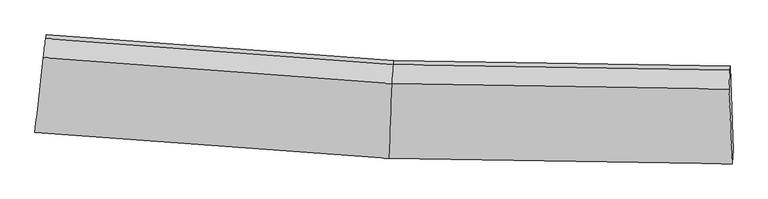
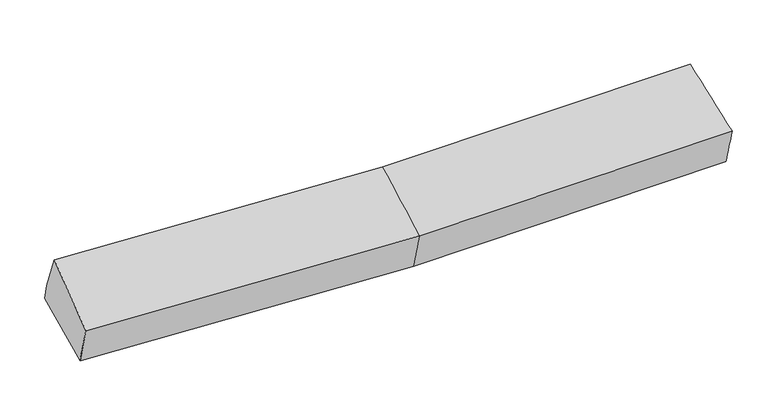
"""IFC4 building model written with IfcOpenShell, lengths in millimetres: proxy geometry."""

from ifc_helpers import new_model, si_unit, frame, origin, place, context, project, spatial, source, transform, mapped, element, save
from ifc_brep_helpers import plane_surface, spline_surface, advanced_brep


def generic_models_e4468c33(model_context):
    return source(origin(), model_context, "Body", "AdvancedBrep", [
        advanced_brep(
        [(-2904.433196, -1896.1344541, 2052.4488329), (-2891.2871548, -1781.8501363, 1687.4023734), (13.9705855, -1997.2611186, 1712.3439062), (3.1152196, -2111.7244261, 2077.4095901), (-2813.2222235, -1094.0558155, 1843.5243881), (41.0860763, -1305.4856916, 1868.0383295), (-2817.0616111, -1127.2695449, 1991.7670048), (37.2466886, -1338.699421, 2016.2809462), (-2834.7103514, -1281.27787, 2334.3887306), (25.0429995, -1493.1332135, 2358.9483694), (2803.128472, -1383.9995433, 2062.3892216), (2796.2013621, -1538.4801378, 2405.1828188), (2820.5898502, -2157.4821649, 2124.7515579), (2829.2254152, -2042.9991683, 1759.6327938), (2806.9678596, -1350.7858139, 1914.1466049)],
        [
            (0, 1),
            (1, 2),
            (2, 3),
            (3, 0),
            (1, 4),
            (4, 5),
            (5, 1),
            (4, 6),
            (6, 7),
            (7, 5),
            (6, 8),
            (8, 9),
            (9, 7),
            (8, 0),
            (3, 9),
            (10, 11),
            (11, 12),
            (12, 13),
            (13, 14),
            (14, 10),
            (5, 2),
            (9, 11),
            (10, 7),
            (3, 12),
            (2, 13),
            (5, 14),
        ],
        [
            spline_surface(1, 1, [[(-2904.433196, -1896.1344541, 2052.4488329), (3.1152196, -2111.7244261, 2077.4095901)], [(-2891.2871548, -1781.8501363, 1687.4023734), (13.9705855, -1997.2611186, 1712.3439062)]], [2, 2], [2, 2], [0.0, 1.0], [0.0, 1.0]),
            plane_surface(frame((-2852.2546891, -1437.9529759, 1765.4633807), z_axis=(0.024573353913702106, 0.2186382758577945, -0.9754965169632145), x_axis=(0.11001290489594444, 0.9692732692409646, 0.22001475016754793))),
            plane_surface(frame((-2815.1419173, -1110.6626802, 1917.6456965), z_axis=(0.0701869340523124, 0.9730120949739082, 0.21982096652235633), x_axis=(-0.025264725418672265, -0.2185597883869286, 0.9754964441502492))),
            spline_surface(1, 1, [[(-2817.0616111, -1127.2695449, 1991.7670048), (37.2466886, -1338.699421, 2016.2809462)], [(-2834.7103514, -1281.27787, 2334.3887306), (25.0429995, -1493.1332135, 2358.9483694)]], [2, 2], [2, 2], [0.0, 1.0], [0.0, 1.0]),
            spline_surface(1, 1, [[(-2834.7103514, -1281.27787, 2334.3887306), (25.0429995, -1493.1332135, 2358.9483694)], [(-2904.433196, -1896.1344541, 2052.4488329), (3.1152196, -2111.7244261, 2077.4095901)]], [2, 2], [2, 2], [0.0, 1.0], [0.0, 1.0]),
            plane_surface(frame((2811.2225918, -1694.7493656, 2053.2205994), z_axis=(0.9991885911101221, 0.02509648939063799, 0.03150120022530807), x_axis=(-0.018420318533162835, -0.4107891771679691, 0.9115442632076622))),
            plane_surface(frame((-2852.1429074, -1436.1175642, 1981.906266), z_axis=(-0.993609004793071, 0.11287580978766834, -0.00044402578908042667), x_axis=(0.10253359501997662, 0.9042008589684917, 0.41461749665555775))),
            plane_surface(frame((-2891.2871548, -1781.8501363, 1687.4023734), z_axis=(0.02458202545172332, 0.21858900069878007, -0.9755073412323455), x_axis=(0.03821247074848788, 0.9748836380928061, 0.2194121675254833))),
            spline_surface(1, 1, [[(37.2466886, -1338.699421, 2016.2809462), (2803.128472, -1383.9995433, 2062.3892216)], [(25.0429995, -1493.1332135, 2358.9483694), (2796.2013621, -1538.4801378, 2405.1828188)]], [2, 2], [2, 2], [0.0, 1.0], [0.0, 1.0]),
            spline_surface(1, 1, [[(25.0429995, -1493.1332135, 2358.9483694), (2796.2013621, -1538.4801378, 2405.1828188)], [(3.1152196, -2111.7244261, 2077.4095901), (2820.5898502, -2157.4821649, 2124.7515579)]], [2, 2], [2, 2], [0.0, 1.0], [0.0, 1.0]),
            spline_surface(1, 1, [[(3.1152196, -2111.7244261, 2077.4095901), (2820.5898502, -2157.4821649, 2124.7515579)], [(13.9705855, -1997.2611186, 1712.3439062), (2829.2254152, -2042.9991683, 1759.6327938)]], [2, 2], [2, 2], [0.0, 1.0], [0.0, 1.0]),
            spline_surface(1, 1, [[(13.9705855, -1997.2611186, 1712.3439062), (2829.2254152, -2042.9991683, 1759.6327938)], [(41.0860763, -1305.4856916, 1868.0383295), (2806.9678596, -1350.7858139, 1914.1466049)]], [2, 2], [2, 2], [0.0, 1.0], [0.0, 1.0]),
            plane_surface(frame((39.1663825, -1322.0925563, 1942.1596379), z_axis=(0.01233020270447532, 0.9756655688634891, 0.2189170250015993), x_axis=(-0.025264725418559883, -0.2185597883870376, 0.9754964441502276))),
        ],
        [
            (0, [[1, 2, 3, 4]]),
            (1, [[5, 6, 7]]),
            (2, [[8, 9, 10, -6]]),
            (3, [[11, 12, 13, -9]]),
            (4, [[14, -4, 15, -12]]),
            (5, [[16, 17, 18, 19, 20]]),
            (6, [[-14, -11, -8, -5, -1]]),
            (7, [[21, -2, -7]]),
            (8, [[-13, 22, -16, 23]]),
            (9, [[-15, 24, -17, -22]]),
            (10, [[-3, 25, -18, -24]]),
            (11, [[-21, 26, -19, -25]]),
            (12, [[-10, -23, -20, -26]]),
        ],
    ),
    ])


if __name__ == "__main__":
    model = new_model("IFC4")
    model_context = context("Model", 3, world=origin())
    ifc_project = project(units=[si_unit("LENGTHUNIT", "METRE", prefix="MILLI")], contexts=[model_context])
    site = spatial("IfcSite", under=ifc_project)
    building = spatial("IfcBuilding", under=site)
    placement = place(None, origin())
    generic_models_shape = generic_models_e4468c33(model_context)
    element("IfcBuildingElementProxy", 1, Name="Generic Models", at=placement, inside=building, context=model_context, shape_type="MappedRepresentation", body=[
        mapped(generic_models_shape, transform((0.0, 0.0, 0.0), x_axis=(1.0, 0.0, 0.0), y_axis=(0.0, 1.0, 0.0), z_axis=(0.0, 0.0, 1.0))),
    ])
    save(model, "model.ifc")
